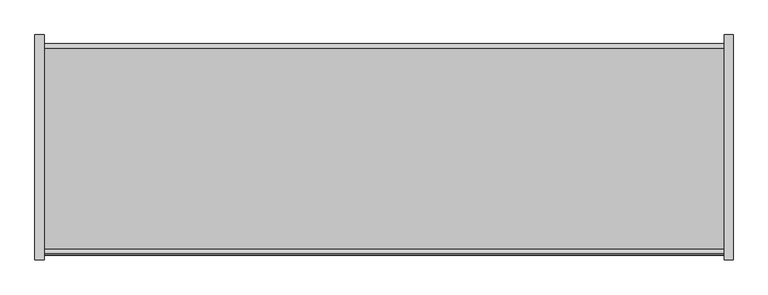
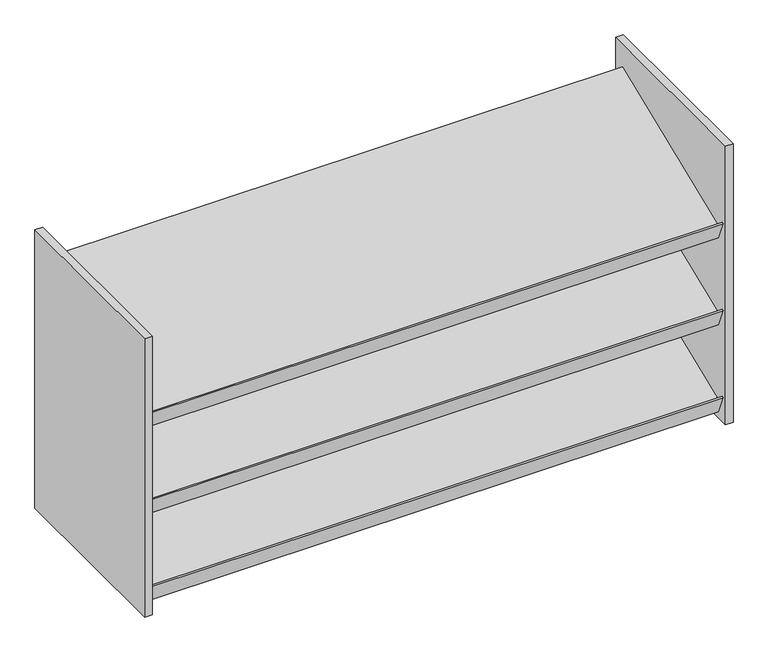
"""IFC4 building model written with IfcOpenShell, lengths in millimetres: furniture geometry."""

from ifc_helpers import new_model, si_unit, frame, origin, place, context, project, spatial, polyline, outline, extrude, source, transform, mapped, element, save


def furniture_bed3d763(model_context):
    return source(origin(), model_context, "Body", "SweptSolid", [
        extrude(outline(polyline([(-180.975, 1407.033), (-197.8336902, 1448.7597226), (-194.8898815, 1449.9490985), (-187.5461987, 1431.7728458), (162.7670411, 1573.308582), (172.2820486, 1549.7581121), (-180.975, 1407.033)])), frame((-593.725, 0.0, 0.0), z_axis=(1.0, 0.0, 0.0), x_axis=(0.0, 1.0, 0.0)), (0.0, 0.0, 1.0), 1187.45),
        extrude(outline(polyline([(-180.975, 1216.533), (-197.8336902, 1258.2597226), (-194.8898815, 1259.4490985), (-187.5461987, 1241.2728458), (162.7670411, 1382.808582), (172.2820486, 1359.2581121), (-180.975, 1216.533)])), frame((-593.725, 0.0, 0.0), z_axis=(1.0, 0.0, 0.0), x_axis=(0.0, 1.0, 0.0)), (0.0, 0.0, 1.0), 1187.45),
        extrude(outline(polyline([(-180.975, 1026.033), (-197.8336902, 1067.7597226), (-194.8898815, 1068.9490985), (-187.5461987, 1050.7728458), (162.7670411, 1192.308582), (172.2820486, 1168.7581121), (-180.975, 1026.033)])), frame((-593.725, 0.0, 0.0), z_axis=(1.0, 0.0, 0.0), x_axis=(0.0, 1.0, 0.0)), (0.0, 0.0, 1.0), 1187.45),
        extrude(outline(polyline([(-593.725, 187.325), (-593.725, -206.375), (-609.6, -206.375), (-609.6, 187.325), (-593.725, 187.325)])), frame((0.0, 0.0, 1013.333), z_axis=(0.0, 0.0, 1.0), x_axis=(1.0, 0.0, 0.0)), (0.0, 0.0, 1.0), 609.6),
        extrude(outline(polyline([(609.6, 187.325), (609.6, -206.375), (593.725, -206.375), (593.725, 187.325), (609.6, 187.325)])), frame((0.0, 0.0, 1013.333), z_axis=(0.0, 0.0, 1.0), x_axis=(1.0, 0.0, 0.0)), (0.0, 0.0, 1.0), 609.6),
    ])


if __name__ == "__main__":
    model = new_model("IFC4")
    model_context = context("Model", 3, world=origin())
    ifc_project = project(units=[si_unit("LENGTHUNIT", "METRE", prefix="MILLI")], contexts=[model_context])
    site = spatial("IfcSite", under=ifc_project)
    building = spatial("IfcBuilding", under=site)
    placement = place(None, origin())
    furniture_shape = furniture_bed3d763(model_context)
    element("IfcFurniture", 1, at=placement, inside=building, context=model_context, shape_type="MappedRepresentation", body=[
        mapped(furniture_shape, transform((0.0, 0.0, 0.0), x_axis=(1.0, 0.0, 0.0), y_axis=(0.0, 1.0, 0.0), z_axis=(0.0, 0.0, 1.0))),
    ])
    save(model, "model.ifc")
